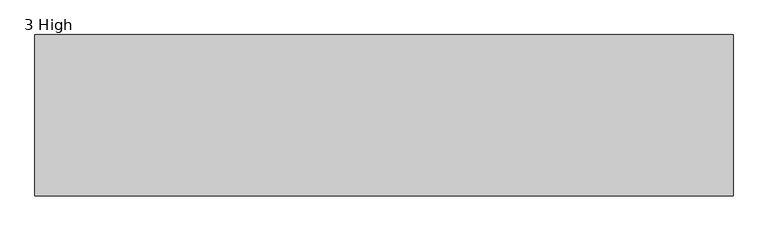
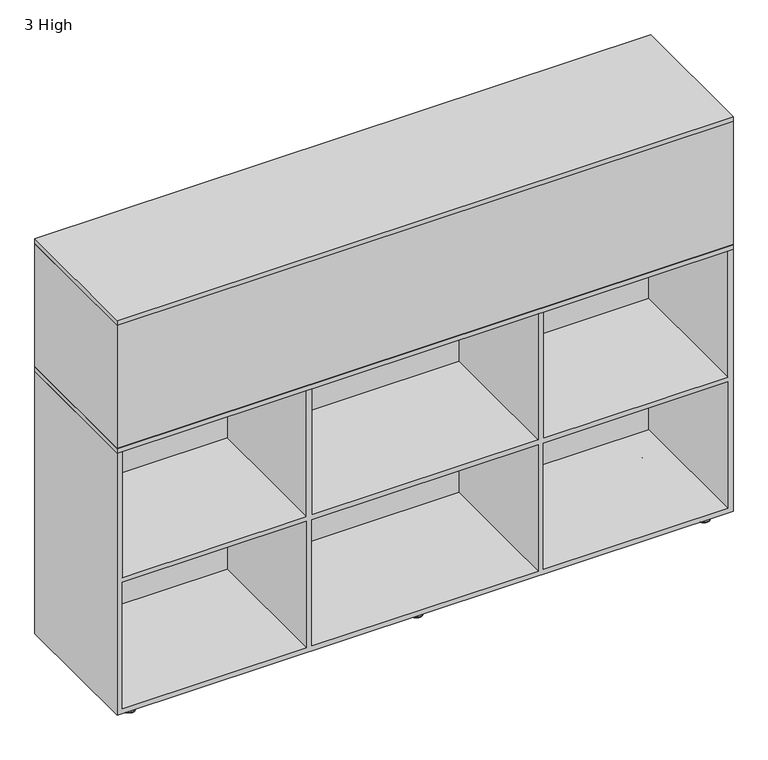
"""IFC4 building model written with IfcOpenShell, lengths in millimetres: furniture geometry, 3 High."""

from ifc_helpers import new_model, si_unit, point, frame, frame_2d, origin, place, context, project, spatial, polyline, circle_curve, ellipse_curve, trimmed, segment, composite_curve, outline, extrude, faceted_brep, source, transform, mapped, element, save
from ifc_brep_helpers import plane_surface, cylinder_surface, revolved_surface, spline_surface, advanced_brep


def furniture_3_high_fae4e9ed(model_context):
    return source(origin(), model_context, "Body", "SolidModel", [
        extrude(outline(polyline([(1524.0, 0.0), (0.0, 0.0), (0.0, 352.425), (1524.0, 352.425), (1524.0, 0.0)])), frame((0.0, 0.0, 711.2), z_axis=(0.0, 0.0, 1.0), x_axis=(1.0, 0.0, 0.0)), (0.0, 0.0, 1.0), 11.8411135),
        extrude(outline(polyline([(1524.0, 0.0), (0.0, 0.0), (0.0, 352.425), (1524.0, 352.425), (1524.0, 0.0)])), frame((0.0, 0.0, 1045.1923436), z_axis=(0.0, 0.0, 1.0), x_axis=(1.0, 0.0, 0.0)), (0.0, 0.0, 1.0), 12.5983953),
        faceted_brep([(1524.0, 0.0, 1045.1923436), (1524.0, 0.0, 723.9), (1524.0, 352.425, 723.9), (1524.0, 352.425, 1045.1923436), (0.0, 0.0, 1045.1923436), (0.0, 352.425, 1045.1923436), (0.0, 352.425, 723.9), (0.0, 0.0, 723.9), (13.081, 352.425, 1045.1923436), (13.081, 352.425, 736.6), (468.2743967, 352.425, 736.6), (468.2743967, 352.425, 1045.1923436), (481.3553933, 352.425, 1045.1923436), (481.3553933, 352.425, 736.6), (1041.2984316, 352.425, 736.6), (1041.2984316, 352.425, 1045.1923436), (1054.3793919, 352.425, 1045.1923436), (1054.3793919, 352.425, 736.6), (1510.9189671, 352.425, 736.6), (1510.9189671, 352.425, 1045.1923436), (1510.9189671, 13.208, 1045.1923436), (1054.3793919, 13.208, 1045.1923436), (1041.2984316, 13.208, 1045.1923436), (481.3553933, 13.208, 1045.1923436), (468.2743967, 13.208, 1045.1923436), (13.081, 13.208, 1045.1923436), (13.081, 13.208, 736.6), (468.2743967, 13.208, 736.6), (481.3553933, 13.208, 736.6), (1041.2984316, 13.208, 736.6), (1054.3793919, 13.208, 736.6), (1510.9189671, 13.208, 736.6)], [[[0, 1, 2, 3]], [[4, 5, 6, 7]], [[1, 0, 4, 7]], [[2, 1, 7, 6]], [[3, 2, 6, 5, 8, 9, 10, 11, 12, 13, 14, 15, 16, 17, 18, 19]], [[0, 3, 19, 20, 21, 16, 15, 22, 23, 12, 11, 24, 25, 8, 5, 4]], [[25, 26, 9, 8]], [[26, 27, 10, 9]], [[27, 24, 11, 10]], [[23, 28, 13, 12]], [[28, 29, 14, 13]], [[29, 22, 15, 14]], [[21, 30, 17, 16]], [[30, 31, 18, 17]], [[31, 20, 19, 18]], [[24, 27, 26, 25]], [[22, 29, 28, 23]], [[20, 31, 30, 21]]]),
        advanced_brep(
        [(776.7323801, 38.0780241, 2.6178944), (747.2988961, 38.0780241, 2.6178944), (762.0156381, 38.0780241, 2.6178944), (769.706563, 38.0780241, 8.8411838), (754.3247132, 38.0780241, 8.8411838), (769.706563, 38.0780241, 10.8986525), (754.3247132, 38.0780241, 10.8986525), (762.0156381, 38.0780241, 10.8986525)],
        [
            (0, 1, circle_curve(frame((762.0156381, 38.0780241, 2.6178944), z_axis=(0.0, 0.0, -1.0), x_axis=(-1.0, 0.0, 0.0)), 14.716742)),
            (1, 2),
            (2, 0),
            (1, 0, circle_curve(frame((762.0156381, 38.0780241, 2.6178944), z_axis=(0.0, 0.0, -1.0), x_axis=(-1.0, 0.0, 0.0)), 14.716742)),
            (3, 4, circle_curve(frame((762.0156381, 38.0780241, 8.8411838), z_axis=(0.0, 0.0, -1.0), x_axis=(-1.0, 0.0, 0.0)), 7.6909249)),
            (4, 1, circle_curve(frame((748.0218845, 38.0780241, 8.8792349), z_axis=(0.0, 1.0, 0.0), x_axis=(1.0, 0.0, 0.0)), 6.3029436)),
            (0, 3, circle_curve(frame((776.0093917, 38.0780241, 8.8792349), z_axis=(0.0, 1.0, 0.0), x_axis=(-1.0, 0.0, 0.0)), 6.3029436)),
            (4, 3, circle_curve(frame((762.0156381, 38.0780241, 8.8411838), z_axis=(0.0, 0.0, -1.0), x_axis=(-1.0, 0.0, 0.0)), 7.6909249)),
            (5, 6, circle_curve(frame((762.0156381, 38.0780241, 10.8986525), z_axis=(0.0, 0.0, -1.0), x_axis=(-1.0, 0.0, 0.0)), 7.6909249)),
            (6, 4),
            (3, 5),
            (6, 5, circle_curve(frame((762.0156381, 38.0780241, 10.8986525), z_axis=(0.0, 0.0, -1.0), x_axis=(-1.0, 0.0, 0.0)), 7.6909249)),
            (7, 6),
            (5, 7),
        ],
        [
            plane_surface(frame((762.0156381, 38.0780241, 2.6178944), z_axis=(0.0, 0.0, -1.0), x_axis=(-1.0, 0.0, 0.0))),
            revolved_surface(trimmed(ellipse_curve(frame((748.0218845, 38.0780241, 8.8792349), z_axis=(0.0, -1.0, 0.0), x_axis=(1.0, 0.0, 0.0)), 6.3029436, 6.3029436), [point((747.2988961, 38.0780241, 2.6178944))], [point((754.3247132, 38.0780241, 8.8411838))], True, "CARTESIAN"), (762.0156381, 38.0780241, 10.8986525), (0.0, 0.0, 1.0)),
            cylinder_surface(frame((762.0156381, 38.0780241, 10.8986525), z_axis=(0.0, 0.0, 1.0), x_axis=(-1.0, 0.0, 0.0)), 7.6909249),
            plane_surface(frame((762.0156381, 38.0780241, 10.8986525), z_axis=(0.0, 0.0, 1.0), x_axis=(-1.0, 0.0, 0.0))),
        ],
        [
            (0, [[1, 2, 3]]),
            (0, [[4, -3, -2]]),
            (1, [[5, 6, -1, 7]]),
            (1, [[8, -7, -4, -6]]),
            (2, [[9, 10, -5, 11]]),
            (2, [[12, -11, -8, -10]]),
            (3, [[13, -9, 14]]),
            (3, [[-14, -12, -13]]),
        ],
    ),
        advanced_brep(
        [(775.1743443, 38.0780241, 0.0), (748.8795601, 38.0780241, 0.0), (762.0269522, 38.0780241, 0.0), (776.7550083, 38.0780241, 1.580664), (747.2988961, 38.0780241, 1.580664), (776.7550083, 38.0780241, 2.6178944), (747.2988961, 38.0780241, 2.6178944), (762.0269522, 38.0780241, 2.6178944)],
        [
            (0, 1, circle_curve(frame((762.0269522, 38.0780241, 0.0), z_axis=(0.0, 0.0, -1.0), x_axis=(-1.0, 0.0, 0.0)), 13.1473921)),
            (1, 2),
            (2, 0),
            (1, 0, circle_curve(frame((762.0269522, 38.0780241, 0.0), z_axis=(0.0, 0.0, -1.0), x_axis=(-1.0, 0.0, 0.0)), 13.1473921)),
            (3, 4, circle_curve(frame((762.0269522, 38.0780241, 1.580664), z_axis=(0.0, 0.0, -1.0), x_axis=(-1.0, 0.0, 0.0)), 14.7280561)),
            (4, 1, circle_curve(frame((748.8795601, 38.0780241, 1.580664), z_axis=(0.0, -1.0, 0.0), x_axis=(1.0, 0.0, 0.0)), 1.580664)),
            (0, 3, circle_curve(frame((775.1743443, 38.0780241, 1.580664), z_axis=(0.0, -1.0, 0.0), x_axis=(-1.0, 0.0, 0.0)), 1.580664)),
            (4, 3, circle_curve(frame((762.0269522, 38.0780241, 1.580664), z_axis=(0.0, 0.0, -1.0), x_axis=(-1.0, 0.0, 0.0)), 14.7280561)),
            (5, 6, circle_curve(frame((762.0269522, 38.0780241, 2.6178944), z_axis=(0.0, 0.0, -1.0), x_axis=(-1.0, 0.0, 0.0)), 14.7280561)),
            (6, 4),
            (3, 5),
            (6, 5, circle_curve(frame((762.0269522, 38.0780241, 2.6178944), z_axis=(0.0, 0.0, -1.0), x_axis=(-1.0, 0.0, 0.0)), 14.7280561)),
            (7, 6),
            (5, 7),
        ],
        [
            plane_surface(frame((762.0269522, 38.0780241, 0.0), z_axis=(0.0, 0.0, -1.0), x_axis=(-1.0, 0.0, 0.0))),
            revolved_surface(trimmed(ellipse_curve(frame((748.8795601, 38.0780241, 1.580664), z_axis=(0.0, 1.0, 0.0), x_axis=(1.0, 0.0, 0.0)), 1.580664, 1.580664), [point((748.8795601, 38.0780241, 0.0))], [point((747.2988961, 38.0780241, 1.580664))], True, "CARTESIAN"), (762.0269522, 38.0780241, 2.6178944), (0.0, 0.0, 1.0)),
            cylinder_surface(frame((762.0269522, 38.0780241, 2.6178944), z_axis=(0.0, 0.0, 1.0), x_axis=(-1.0, 0.0, 0.0)), 14.7280561),
            plane_surface(frame((762.0269522, 38.0780241, 2.6178944), z_axis=(0.0, 0.0, 1.0), x_axis=(-1.0, 0.0, 0.0))),
        ],
        [
            (0, [[1, 2, 3]]),
            (0, [[4, -3, -2]]),
            (1, [[5, 6, -1, 7]]),
            (1, [[8, -7, -4, -6]]),
            (2, [[9, 10, -5, 11]]),
            (2, [[12, -11, -8, -10]]),
            (3, [[13, -9, 14]]),
            (3, [[-14, -12, -13]]),
        ],
    ),
        extrude(outline(composite_curve([segment(trimmed(circle_curve(frame_2d((762.0156381, 38.1183079)), 3.9557313), [point((758.0599068, 38.1183079))], [point((765.9713694, 38.1183079))], False, "CARTESIAN"), True, "CONTINUOUS"), segment(trimmed(circle_curve(frame_2d((762.0156381, 38.1183079)), 3.9557313), [point((765.9713694, 38.1183079))], [point((758.0599068, 38.1183079))], False, "CARTESIAN"), True, "CONTINUOUS")], self_intersect=False)), frame((0.0, 0.0, 10.8986525), z_axis=(0.0, 0.0, 1.0), x_axis=(1.0, 0.0, 0.0)), (0.0, 0.0, 1.0), 11.6640053),
        advanced_brep(
        [(758.0822362, 38.1098067, 22.5626578), (765.9722002, 38.1098067, 22.5626578), (759.079, 38.1098067, 23.622), (764.9502172, 38.1098067, 23.622)],
        [
            (0, 1, circle_curve(frame((762.0272182, 38.1098067, 22.5626578), z_axis=(0.0, 0.0, -1.0), x_axis=(1.0, 0.0, 0.0)), 3.944982)),
            (1, 0, circle_curve(frame((762.0272182, 38.1098067, 22.5626578), z_axis=(0.0, 0.0, -1.0), x_axis=(1.0, 0.0, 0.0)), 3.944982)),
            (2, 3, circle_curve(frame((762.0146086, 38.1098067, 23.622), z_axis=(0.0, 0.0, 1.0), x_axis=(1.0, 0.0, 0.0)), 2.9356086)),
            (3, 2, circle_curve(frame((762.0146086, 38.1098067, 23.622), z_axis=(0.0, 0.0, 1.0), x_axis=(1.0, 0.0, 0.0)), 2.9356086)),
            (3, 1),
            (0, 2),
        ],
        [
            plane_surface(frame((762.0272182, 38.1098067, 22.5626578), z_axis=(0.0, 0.0, -1.0), x_axis=(0.0, -1.0, 0.0))),
            plane_surface(frame((762.0146086, 38.1098067, 23.622), z_axis=(0.0, 0.0, 1.0), x_axis=(0.0, -1.0, 0.0))),
            spline_surface(2, 1, [[(759.079, 38.1098067, 23.622), (758.0822362, 38.1098067, 22.5626578)], [(759.079, 41.04541530000002, 23.622), (758.0822362, 42.05478869999998, 22.5626578)], [(762.0146086, 41.04541530000002, 23.622), (762.0272182, 42.05478869999998, 22.5626578)], [(764.9502172, 41.04541530000002, 23.622), (765.9722002, 42.05478869999998, 22.5626578)], [(764.9502172, 38.1098067, 23.622), (765.9722002, 38.1098067, 22.5626578)]], [3, 2, 3], [2, 2], [0.0, 1.0, 2.0], [0.0, 1.0], weights=[[1.0, 1.0], [0.7071067811865476, 0.7071067811865476], [1.0, 1.0], [0.7071067811865476, 0.7071067811865476], [1.0, 1.0]]),
            spline_surface(2, 1, [[(764.9502172, 38.1098067, 23.622), (765.9722002, 38.1098067, 22.5626578)], [(764.9502172, 35.17419809999998, 23.622), (765.9722002, 34.16482470000002, 22.5626578)], [(762.0146086, 35.17419809999998, 23.622), (762.0272182, 34.16482470000002, 22.5626578)], [(759.079, 35.17419809999998, 23.622), (758.0822362, 34.16482470000002, 22.5626578)], [(759.079, 38.1098067, 23.622), (758.0822362, 38.1098067, 22.5626578)]], [3, 2, 3], [2, 2], [0.0, 1.0, 2.0], [0.0, 1.0], weights=[[1.0, 1.0], [0.7071067811865476, 0.7071067811865476], [1.0, 1.0], [0.7071067811865476, 0.7071067811865476], [1.0, 1.0]]),
        ],
        [
            (0, [[1, 2]]),
            (1, [[3, 4]]),
            (2, [[-4, 5, -1, 6]]),
            (3, [[-3, -6, -2, -5]]),
        ],
    ),
        advanced_brep(
        [(769.706563, 314.3469759, 10.8986525), (754.3247132, 314.3469759, 10.8986525), (762.0156381, 314.3469759, 10.8986525), (769.706563, 314.3469759, 8.8411838), (754.3247132, 314.3469759, 8.8411838), (776.7323801, 314.3469759, 2.6178944), (747.2988961, 314.3469759, 2.6178944), (762.0156381, 314.3469759, 2.6178944)],
        [
            (0, 1, circle_curve(frame((762.0156381, 314.3469759, 10.8986525), z_axis=(0.0, 0.0, 1.0), x_axis=(-1.0, 0.0, 0.0)), 7.6909249)),
            (1, 2),
            (2, 0),
            (1, 0, circle_curve(frame((762.0156381, 314.3469759, 10.8986525), z_axis=(0.0, 0.0, 1.0), x_axis=(-1.0, 0.0, 0.0)), 7.6909249)),
            (3, 4, circle_curve(frame((762.0156381, 314.3469759, 8.8411838), z_axis=(0.0, 0.0, 1.0), x_axis=(-1.0, 0.0, 0.0)), 7.6909249)),
            (4, 1),
            (0, 3),
            (4, 3, circle_curve(frame((762.0156381, 314.3469759, 8.8411838), z_axis=(0.0, 0.0, 1.0), x_axis=(-1.0, 0.0, 0.0)), 7.6909249)),
            (5, 6, circle_curve(frame((762.0156381, 314.3469759, 2.6178944), z_axis=(0.0, 0.0, 1.0), x_axis=(-1.0, 0.0, 0.0)), 14.716742)),
            (6, 4, circle_curve(frame((748.0218845, 314.3469759, 8.8792349), z_axis=(0.0, -1.0, 0.0), x_axis=(1.0, 0.0, 0.0)), 6.3029436)),
            (3, 5, circle_curve(frame((776.0093917, 314.3469759, 8.8792349), z_axis=(0.0, -1.0, 0.0), x_axis=(-1.0, 0.0, 0.0)), 6.3029436)),
            (6, 5, circle_curve(frame((762.0156381, 314.3469759, 2.6178944), z_axis=(0.0, 0.0, 1.0), x_axis=(-1.0, 0.0, 0.0)), 14.716742)),
            (7, 6),
            (5, 7),
        ],
        [
            plane_surface(frame((762.0156381, 314.3469759, 10.8986525), z_axis=(0.0, 0.0, 1.0), x_axis=(-1.0, 0.0, 0.0))),
            cylinder_surface(frame((762.0156381, 314.3469759, 10.8986525), z_axis=(0.0, 0.0, -1.0), x_axis=(-1.0, 0.0, 0.0)), 7.6909249),
            revolved_surface(trimmed(ellipse_curve(frame((748.0218845, 314.3469759, 8.8792349), z_axis=(0.0, 1.0, 0.0), x_axis=(1.0, 0.0, 0.0)), 6.3029436, 6.3029436), [point((754.3247132, 314.3469759, 8.8411838))], [point((747.2988961, 314.3469759, 2.6178944))], True, "CARTESIAN"), (762.0156381, 314.3469759, 10.8986525), (0.0, 0.0, -1.0)),
            plane_surface(frame((762.0156381, 314.3469759, 2.6178944), z_axis=(0.0, 0.0, -1.0), x_axis=(-1.0, 0.0, 0.0))),
        ],
        [
            (0, [[1, 2, 3]]),
            (0, [[4, -3, -2]]),
            (1, [[5, 6, -1, 7]]),
            (1, [[8, -7, -4, -6]]),
            (2, [[9, 10, -5, 11]]),
            (2, [[12, -11, -8, -10]]),
            (3, [[13, -9, 14]]),
            (3, [[-14, -12, -13]]),
        ],
    ),
        advanced_brep(
        [(776.7550083, 314.3469759, 2.6178944), (747.2988961, 314.3469759, 2.6178944), (762.0269522, 314.3469759, 2.6178944), (776.7550083, 314.3469759, 1.580664), (747.2988961, 314.3469759, 1.580664), (775.1743443, 314.3469759, 0.0), (748.8795601, 314.3469759, 0.0), (762.0269522, 314.3469759, 0.0)],
        [
            (0, 1, circle_curve(frame((762.0269522, 314.3469759, 2.6178944), z_axis=(0.0, 0.0, 1.0), x_axis=(-1.0, 0.0, 0.0)), 14.7280561)),
            (1, 2),
            (2, 0),
            (1, 0, circle_curve(frame((762.0269522, 314.3469759, 2.6178944), z_axis=(0.0, 0.0, 1.0), x_axis=(-1.0, 0.0, 0.0)), 14.7280561)),
            (3, 4, circle_curve(frame((762.0269522, 314.3469759, 1.580664), z_axis=(0.0, 0.0, 1.0), x_axis=(-1.0, 0.0, 0.0)), 14.7280561)),
            (4, 1),
            (0, 3),
            (4, 3, circle_curve(frame((762.0269522, 314.3469759, 1.580664), z_axis=(0.0, 0.0, 1.0), x_axis=(-1.0, 0.0, 0.0)), 14.7280561)),
            (5, 6, circle_curve(frame((762.0269522, 314.3469759, 0.0), z_axis=(0.0, 0.0, 1.0), x_axis=(-1.0, 0.0, 0.0)), 13.1473921)),
            (6, 4, circle_curve(frame((748.8795601, 314.3469759, 1.580664), z_axis=(0.0, 1.0, 0.0), x_axis=(1.0, 0.0, 0.0)), 1.580664)),
            (3, 5, circle_curve(frame((775.1743443, 314.3469759, 1.580664), z_axis=(0.0, 1.0, 0.0), x_axis=(-1.0, 0.0, 0.0)), 1.580664)),
            (6, 5, circle_curve(frame((762.0269522, 314.3469759, 0.0), z_axis=(0.0, 0.0, 1.0), x_axis=(-1.0, 0.0, 0.0)), 13.1473921)),
            (7, 6),
            (5, 7),
        ],
        [
            plane_surface(frame((762.0269522, 314.3469759, 2.6178944), z_axis=(0.0, 0.0, 1.0), x_axis=(-1.0, 0.0, 0.0))),
            cylinder_surface(frame((762.0269522, 314.3469759, 2.6178944), z_axis=(0.0, 0.0, -1.0), x_axis=(-1.0, 0.0, 0.0)), 14.7280561),
            revolved_surface(trimmed(ellipse_curve(frame((748.8795601, 314.3469759, 1.580664), z_axis=(0.0, -1.0, 0.0), x_axis=(1.0, 0.0, 0.0)), 1.580664, 1.580664), [point((747.2988961, 314.3469759, 1.580664))], [point((748.8795601, 314.3469759, 0.0))], True, "CARTESIAN"), (762.0269522, 314.3469759, 2.6178944), (0.0, 0.0, -1.0)),
            plane_surface(frame((762.0269522, 314.3469759, 0.0), z_axis=(0.0, 0.0, -1.0), x_axis=(-1.0, 0.0, 0.0))),
        ],
        [
            (0, [[1, 2, 3]]),
            (0, [[4, -3, -2]]),
            (1, [[5, 6, -1, 7]]),
            (1, [[8, -7, -4, -6]]),
            (2, [[9, 10, -5, 11]]),
            (2, [[12, -11, -8, -10]]),
            (3, [[13, -9, 14]]),
            (3, [[-14, -12, -13]]),
        ],
    ),
        extrude(outline(composite_curve([segment(trimmed(circle_curve(frame_2d((762.0156381, 314.3066921)), 3.9557313), [point((758.0599068, 314.3066921))], [point((765.9713694, 314.3066921))], False, "CARTESIAN"), True, "CONTINUOUS"), segment(trimmed(circle_curve(frame_2d((762.0156381, 314.3066921)), 3.9557313), [point((765.9713694, 314.3066921))], [point((758.0599068, 314.3066921))], False, "CARTESIAN"), True, "CONTINUOUS")], self_intersect=False)), frame((0.0, 0.0, 10.8986525), z_axis=(0.0, 0.0, 1.0), x_axis=(1.0, 0.0, 0.0)), (0.0, 0.0, 1.0), 11.6640053),
        advanced_brep(
        [(758.0822362, 314.3151933, 22.5626578), (765.9722002, 314.3151933, 22.5626578), (759.079, 314.3151933, 23.622), (764.9502172, 314.3151933, 23.622)],
        [
            (0, 1, circle_curve(frame((762.0272182, 314.3151933, 22.5626578), z_axis=(0.0, 0.0, -1.0), x_axis=(1.0, 0.0, 0.0)), 3.944982)),
            (1, 0, circle_curve(frame((762.0272182, 314.3151933, 22.5626578), z_axis=(0.0, 0.0, -1.0), x_axis=(1.0, 0.0, 0.0)), 3.944982)),
            (2, 3, circle_curve(frame((762.0146086, 314.3151933, 23.622), z_axis=(0.0, 0.0, 1.0), x_axis=(1.0, 0.0, 0.0)), 2.9356086)),
            (3, 2, circle_curve(frame((762.0146086, 314.3151933, 23.622), z_axis=(0.0, 0.0, 1.0), x_axis=(1.0, 0.0, 0.0)), 2.9356086)),
            (3, 1),
            (0, 2),
        ],
        [
            plane_surface(frame((762.0272182, 314.3151933, 22.5626578), z_axis=(0.0, 0.0, -1.0), x_axis=(0.0, -1.0, 0.0))),
            plane_surface(frame((762.0146086, 314.3151933, 23.622), z_axis=(0.0, 0.0, 1.0), x_axis=(0.0, -1.0, 0.0))),
            spline_surface(2, 1, [[(759.079, 314.3151933, 23.622), (758.0822362, 314.3151933, 22.5626578)], [(759.079, 317.2508019, 23.622), (758.0822362, 318.26017529999996, 22.5626578)], [(762.0146086, 317.2508019, 23.622), (762.0272182, 318.26017529999996, 22.5626578)], [(764.9502172, 317.2508019, 23.622), (765.9722002, 318.26017529999996, 22.5626578)], [(764.9502172, 314.3151933, 23.622), (765.9722002, 314.3151933, 22.5626578)]], [3, 2, 3], [2, 2], [0.0, 1.0, 2.0], [0.0, 1.0], weights=[[1.0, 1.0], [0.7071067811865476, 0.7071067811865476], [1.0, 1.0], [0.7071067811865476, 0.7071067811865476], [1.0, 1.0]]),
            spline_surface(2, 1, [[(764.9502172, 314.3151933, 23.622), (765.9722002, 314.3151933, 22.5626578)], [(764.9502172, 311.37958469999995, 23.622), (765.9722002, 310.3702113, 22.5626578)], [(762.0146086, 311.37958469999995, 23.622), (762.0272182, 310.3702113, 22.5626578)], [(759.079, 311.37958469999995, 23.622), (758.0822362, 310.3702113, 22.5626578)], [(759.079, 314.3151933, 23.622), (758.0822362, 314.3151933, 22.5626578)]], [3, 2, 3], [2, 2], [0.0, 1.0, 2.0], [0.0, 1.0], weights=[[1.0, 1.0], [0.7071067811865476, 0.7071067811865476], [1.0, 1.0], [0.7071067811865476, 0.7071067811865476], [1.0, 1.0]]),
        ],
        [
            (0, [[1, 2]]),
            (1, [[3, 4]]),
            (2, [[-4, 5, -1, 6]]),
            (3, [[-3, -6, -2, -5]]),
        ],
    ),
        faceted_brep([(0.0, 0.0, 711.2), (0.0, 0.0, 25.4), (1524.0, 0.0, 25.4), (1524.0, 0.0, 711.2), (1510.9189671, 0.0, 711.2), (1510.9189671, 0.0, 381.0), (1054.3793919, 0.0, 381.0), (1054.3793919, 0.0, 711.2), (1041.2984316, 0.0, 711.2), (1041.2984316, 0.0, 381.0), (481.3553933, 0.0, 381.0), (481.3553933, 0.0, 711.2), (468.2743967, 0.0, 711.2), (468.2743967, 0.0, 381.0), (13.081, 0.0, 381.0), (13.081, 0.0, 711.2), (13.081, 0.0, 368.3), (468.2743967, 0.0, 368.3), (468.2743967, 0.0, 38.1), (13.081, 0.0, 38.1), (481.3553933, 0.0, 368.3), (1041.2984316, 0.0, 368.3), (1041.2984316, 0.0, 38.1), (481.3553933, 0.0, 38.1), (1054.3793919, 0.0, 368.3), (1510.9189671, 0.0, 368.3), (1510.9189671, 0.0, 38.1), (1054.3793919, 0.0, 38.1), (1524.0, 352.425, 711.2), (1524.0, 352.425, 25.4), (0.0, 352.425, 25.4), (0.0, 352.425, 711.2), (13.081, 339.344, 711.2), (468.2743967, 339.344, 711.2), (481.3553933, 339.344, 711.2), (1041.2984316, 339.344, 711.2), (1054.3793919, 339.344, 711.2), (1510.9189671, 339.344, 711.2), (13.081, 339.344, 381.0), (468.2743967, 339.344, 381.0), (481.3553933, 339.344, 381.0), (1041.2984316, 339.344, 381.0), (1054.3793919, 339.344, 381.0), (1510.9189671, 339.344, 381.0), (468.2743967, 339.344, 368.3), (13.081, 339.344, 368.3), (13.081, 339.344, 38.1), (468.2743967, 339.344, 38.1), (1041.2984316, 339.344, 368.3), (481.3553933, 339.344, 368.3), (481.3553933, 339.344, 38.1), (1041.2984316, 339.344, 38.1), (1510.9189671, 339.344, 368.3), (1054.3793919, 339.344, 368.3), (1054.3793919, 339.344, 38.1), (1510.9189671, 339.344, 38.1)], [[[0, 1, 2, 3, 4, 5, 6, 7, 8, 9, 10, 11, 12, 13, 14, 15], [16, 17, 18, 19], [20, 21, 22, 23], [24, 25, 26, 27]], [[28, 29, 30, 31]], [[28, 31, 0, 15, 32, 33, 12, 11, 34, 35, 8, 7, 36, 37, 4, 3]], [[1, 0, 31, 30]], [[2, 1, 30, 29]], [[3, 2, 29, 28]], [[32, 38, 39, 33]], [[34, 40, 41, 35]], [[36, 42, 43, 37]], [[44, 45, 46, 47]], [[48, 49, 50, 51]], [[52, 53, 54, 55]], [[38, 32, 15, 14]], [[39, 38, 14, 13]], [[33, 39, 13, 12]], [[40, 34, 11, 10]], [[41, 40, 10, 9]], [[35, 41, 9, 8]], [[42, 36, 7, 6]], [[43, 42, 6, 5]], [[37, 43, 5, 4]], [[45, 44, 17, 16]], [[46, 45, 16, 19]], [[47, 46, 19, 18]], [[44, 47, 18, 17]], [[49, 48, 21, 20]], [[50, 49, 20, 23]], [[51, 50, 23, 22]], [[48, 51, 22, 21]], [[53, 52, 25, 24]], [[54, 53, 24, 27]], [[55, 54, 27, 26]], [[52, 55, 26, 25]]]),
        extrude(outline(polyline([(25.4000008, 13.0809966), (25.4000008, 339.344), (76.2, 339.344), (76.2, 13.0809966), (25.4000008, 13.0809966)])), frame((0.0, 0.0, 15.8750011), z_axis=(0.0, 0.0, 1.0), x_axis=(1.0, 0.0, 0.0)), (0.0, 0.0, 1.0), 9.5249989),
        extrude(outline(polyline([(736.6000242, 13.0809966), (736.6000242, 339.344), (787.4000235, 339.344), (787.4000235, 13.0809966), (736.6000242, 13.0809966)])), frame((0.0, 0.0, 15.8750011), z_axis=(0.0, 0.0, 1.0), x_axis=(1.0, 0.0, 0.0)), (0.0, 0.0, 1.0), 9.5249989),
        extrude(outline(polyline([(1447.8, 13.0809966), (1447.8, 339.344), (1498.5999992, 339.344), (1498.5999992, 13.0809966), (1447.8, 13.0809966)])), frame((0.0, 0.0, 15.8750011), z_axis=(0.0, 0.0, 1.0), x_axis=(1.0, 0.0, 0.0)), (0.0, 0.0, 1.0), 9.5249989),
        advanced_brep(
        [(1465.5173965, 38.0780241, 10.8986525), (1480.8992463, 38.0780241, 10.8986525), (1473.2083214, 38.0780241, 10.8986525), (1465.5173965, 38.0780241, 8.8411838), (1480.8992463, 38.0780241, 8.8411838), (1458.4915794, 38.0780241, 2.6178944), (1487.9250634, 38.0780241, 2.6178944), (1473.2083214, 38.0780241, 2.6178944)],
        [
            (0, 1, circle_curve(frame((1473.2083214, 38.0780241, 10.8986525), z_axis=(0.0, 0.0, 1.0), x_axis=(1.0, 0.0, 0.0)), 7.6909249)),
            (1, 2),
            (2, 0),
            (1, 0, circle_curve(frame((1473.2083214, 38.0780241, 10.8986525), z_axis=(0.0, 0.0, 1.0), x_axis=(1.0, 0.0, 0.0)), 7.6909249)),
            (3, 4, circle_curve(frame((1473.2083214, 38.0780241, 8.8411838), z_axis=(0.0, 0.0, 1.0), x_axis=(1.0, 0.0, 0.0)), 7.6909249)),
            (4, 1),
            (0, 3),
            (4, 3, circle_curve(frame((1473.2083214, 38.0780241, 8.8411838), z_axis=(0.0, 0.0, 1.0), x_axis=(1.0, 0.0, 0.0)), 7.6909249)),
            (5, 6, circle_curve(frame((1473.2083214, 38.0780241, 2.6178944), z_axis=(0.0, 0.0, 1.0), x_axis=(1.0, 0.0, 0.0)), 14.716742)),
            (6, 4, circle_curve(frame((1487.202075, 38.0780241, 8.8792349), z_axis=(0.0, 1.0, 0.0), x_axis=(-1.0, 0.0, 0.0)), 6.3029436)),
            (3, 5, circle_curve(frame((1459.2145678, 38.0780241, 8.8792349), z_axis=(0.0, 1.0, 0.0), x_axis=(1.0, 0.0, 0.0)), 6.3029436)),
            (6, 5, circle_curve(frame((1473.2083214, 38.0780241, 2.6178944), z_axis=(0.0, 0.0, 1.0), x_axis=(1.0, 0.0, 0.0)), 14.716742)),
            (7, 6),
            (5, 7),
        ],
        [
            plane_surface(frame((1473.2083214, 38.0780241, 10.8986525), z_axis=(0.0, 0.0, 1.0), x_axis=(1.0, 0.0, 0.0))),
            cylinder_surface(frame((1473.2083214, 38.0780241, 10.8986525), z_axis=(0.0, 0.0, -1.0), x_axis=(1.0, 0.0, 0.0)), 7.6909249),
            revolved_surface(trimmed(ellipse_curve(frame((1487.202075, 38.0780241, 8.8792349), z_axis=(0.0, -1.0, 0.0), x_axis=(-1.0, 0.0, 0.0)), 6.3029436, 6.3029436), [point((1480.8992463, 38.0780241, 8.8411838))], [point((1487.9250634, 38.0780241, 2.6178944))], True, "CARTESIAN"), (1473.2083214, 38.0780241, 10.8986525), (0.0, 0.0, -1.0)),
            plane_surface(frame((1473.2083214, 38.0780241, 2.6178944), z_axis=(0.0, 0.0, -1.0), x_axis=(1.0, 0.0, 0.0))),
        ],
        [
            (0, [[1, 2, 3]]),
            (0, [[4, -3, -2]]),
            (1, [[5, 6, -1, 7]]),
            (1, [[8, -7, -4, -6]]),
            (2, [[9, 10, -5, 11]]),
            (2, [[12, -11, -8, -10]]),
            (3, [[13, -9, 14]]),
            (3, [[-14, -12, -13]]),
        ],
    ),
        advanced_brep(
        [(1458.4689512, 38.0780241, 2.6178944), (1487.9250634, 38.0780241, 2.6178944), (1473.1970073, 38.0780241, 2.6178944), (1458.4689512, 38.0780241, 1.580664), (1487.9250634, 38.0780241, 1.580664), (1460.0496152, 38.0780241, 0.0), (1486.3443994, 38.0780241, 0.0), (1473.1970073, 38.0780241, 0.0)],
        [
            (0, 1, circle_curve(frame((1473.1970073, 38.0780241, 2.6178944), z_axis=(0.0, 0.0, 1.0), x_axis=(1.0, 0.0, 0.0)), 14.7280561)),
            (1, 2),
            (2, 0),
            (1, 0, circle_curve(frame((1473.1970073, 38.0780241, 2.6178944), z_axis=(0.0, 0.0, 1.0), x_axis=(1.0, 0.0, 0.0)), 14.7280561)),
            (3, 4, circle_curve(frame((1473.1970073, 38.0780241, 1.580664), z_axis=(0.0, 0.0, 1.0), x_axis=(1.0, 0.0, 0.0)), 14.7280561)),
            (4, 1),
            (0, 3),
            (4, 3, circle_curve(frame((1473.1970073, 38.0780241, 1.580664), z_axis=(0.0, 0.0, 1.0), x_axis=(1.0, 0.0, 0.0)), 14.7280561)),
            (5, 6, circle_curve(frame((1473.1970073, 38.0780241, 0.0), z_axis=(0.0, 0.0, 1.0), x_axis=(1.0, 0.0, 0.0)), 13.1473921)),
            (6, 4, circle_curve(frame((1486.3443994, 38.0780241, 1.580664), z_axis=(0.0, -1.0, 0.0), x_axis=(-1.0, 0.0, 0.0)), 1.580664)),
            (3, 5, circle_curve(frame((1460.0496152, 38.0780241, 1.580664), z_axis=(0.0, -1.0, 0.0), x_axis=(1.0, 0.0, 0.0)), 1.580664)),
            (6, 5, circle_curve(frame((1473.1970073, 38.0780241, 0.0), z_axis=(0.0, 0.0, 1.0), x_axis=(1.0, 0.0, 0.0)), 13.1473921)),
            (7, 6),
            (5, 7),
        ],
        [
            plane_surface(frame((1473.1970073, 38.0780241, 2.6178944), z_axis=(0.0, 0.0, 1.0), x_axis=(1.0, 0.0, 0.0))),
            cylinder_surface(frame((1473.1970073, 38.0780241, 2.6178944), z_axis=(0.0, 0.0, -1.0), x_axis=(1.0, 0.0, 0.0)), 14.7280561),
            revolved_surface(trimmed(ellipse_curve(frame((1486.3443994, 38.0780241, 1.580664), z_axis=(0.0, 1.0, 0.0), x_axis=(-1.0, 0.0, 0.0)), 1.580664, 1.580664), [point((1487.9250634, 38.0780241, 1.580664))], [point((1486.3443994, 38.0780241, 0.0))], True, "CARTESIAN"), (1473.1970073, 38.0780241, 2.6178944), (0.0, 0.0, -1.0)),
            plane_surface(frame((1473.1970073, 38.0780241, 0.0), z_axis=(0.0, 0.0, -1.0), x_axis=(1.0, 0.0, 0.0))),
        ],
        [
            (0, [[1, 2, 3]]),
            (0, [[4, -3, -2]]),
            (1, [[5, 6, -1, 7]]),
            (1, [[8, -7, -4, -6]]),
            (2, [[9, 10, -5, 11]]),
            (2, [[12, -11, -8, -10]]),
            (3, [[13, -9, 14]]),
            (3, [[-14, -12, -13]]),
        ],
    ),
        extrude(outline(composite_curve([segment(trimmed(circle_curve(frame_2d((1473.2083214, 38.1183079)), 3.9557313), [point((1477.1640527, 38.1183079))], [point((1469.2525901, 38.1183079))], False, "CARTESIAN"), True, "CONTINUOUS"), segment(trimmed(circle_curve(frame_2d((1473.2083214, 38.1183079)), 3.9557313), [point((1469.2525901, 38.1183079))], [point((1477.1640527, 38.1183079))], False, "CARTESIAN"), True, "CONTINUOUS")], self_intersect=False)), frame((0.0, 0.0, 10.8986525), z_axis=(0.0, 0.0, 1.0), x_axis=(1.0, 0.0, 0.0)), (0.0, 0.0, 1.0), 11.6640053),
        advanced_brep(
        [(1477.1417233, 38.1098067, 22.5626578), (1469.2517593, 38.1098067, 22.5626578), (1476.1449595, 38.1098067, 23.622), (1470.2737423, 38.1098067, 23.622)],
        [
            (0, 1, circle_curve(frame((1473.1967413, 38.1098067, 22.5626578), z_axis=(0.0, 0.0, -1.0), x_axis=(-1.0, 0.0, 0.0)), 3.944982)),
            (1, 0, circle_curve(frame((1473.1967413, 38.1098067, 22.5626578), z_axis=(0.0, 0.0, -1.0), x_axis=(-1.0, 0.0, 0.0)), 3.944982)),
            (2, 3, circle_curve(frame((1473.2093509, 38.1098067, 23.622), z_axis=(0.0, 0.0, 1.0), x_axis=(-1.0, 0.0, 0.0)), 2.9356086)),
            (3, 2, circle_curve(frame((1473.2093509, 38.1098067, 23.622), z_axis=(0.0, 0.0, 1.0), x_axis=(-1.0, 0.0, 0.0)), 2.9356086)),
            (3, 1),
            (0, 2),
        ],
        [
            plane_surface(frame((1473.1967413, 38.1098067, 22.5626578), z_axis=(0.0, 0.0, -1.0), x_axis=(0.0, 1.0, 0.0))),
            plane_surface(frame((1473.2093509, 38.1098067, 23.622), z_axis=(0.0, 0.0, 1.0), x_axis=(0.0, 1.0, 0.0))),
            spline_surface(2, 1, [[(1476.1449595, 38.1098067, 23.622), (1477.1417233, 38.1098067, 22.5626578)], [(1476.1449595, 35.17419809999998, 23.622), (1477.1417233, 34.16482470000002, 22.5626578)], [(1473.2093509, 35.17419809999998, 23.622), (1473.1967413, 34.16482470000002, 22.5626578)], [(1470.2737422999999, 35.17419809999998, 23.622), (1469.2517593, 34.16482470000002, 22.5626578)], [(1470.2737423, 38.1098067, 23.622), (1469.2517593, 38.1098067, 22.5626578)]], [3, 2, 3], [2, 2], [0.0, 1.0, 2.0], [0.0, 1.0], weights=[[1.0, 1.0], [0.7071067811865476, 0.7071067811865476], [1.0, 1.0], [0.7071067811865476, 0.7071067811865476], [1.0, 1.0]]),
            spline_surface(2, 1, [[(1470.2737423, 38.1098067, 23.622), (1469.2517593, 38.1098067, 22.5626578)], [(1470.2737423, 41.045415299999796, 23.622), (1469.2517593, 42.05478869999998, 22.5626578)], [(1473.2093509, 41.045415299999796, 23.622), (1473.1967413, 42.05478869999998, 22.5626578)], [(1476.1449594999997, 41.045415299999796, 23.622), (1477.1417233, 42.05478869999998, 22.5626578)], [(1476.1449595, 38.1098067, 23.622), (1477.1417233, 38.1098067, 22.5626578)]], [3, 2, 3], [2, 2], [0.0, 1.0, 2.0], [0.0, 1.0], weights=[[1.0, 1.0], [0.7071067811865476, 0.7071067811865476], [1.0, 1.0], [0.7071067811865476, 0.7071067811865476], [1.0, 1.0]]),
        ],
        [
            (0, [[1, 2]]),
            (1, [[3, 4]]),
            (2, [[-4, 5, -1, 6]]),
            (3, [[-3, -6, -2, -5]]),
        ],
    ),
        advanced_brep(
        [(65.5084206, 38.0780241, 2.6178944), (36.0749366, 38.0780241, 2.6178944), (50.7916786, 38.0780241, 2.6178944), (58.4826035, 38.0780241, 8.8411838), (43.1007537, 38.0780241, 8.8411838), (58.4826035, 38.0780241, 10.8986525), (43.1007537, 38.0780241, 10.8986525), (50.7916786, 38.0780241, 10.8986525)],
        [
            (0, 1, circle_curve(frame((50.7916786, 38.0780241, 2.6178944), z_axis=(0.0, 0.0, -1.0), x_axis=(-1.0, 0.0, 0.0)), 14.716742)),
            (1, 2),
            (2, 0),
            (1, 0, circle_curve(frame((50.7916786, 38.0780241, 2.6178944), z_axis=(0.0, 0.0, -1.0), x_axis=(-1.0, 0.0, 0.0)), 14.716742)),
            (3, 4, circle_curve(frame((50.7916786, 38.0780241, 8.8411838), z_axis=(0.0, 0.0, -1.0), x_axis=(-1.0, 0.0, 0.0)), 7.6909249)),
            (4, 1, circle_curve(frame((36.797925, 38.0780241, 8.8792349), z_axis=(0.0, 1.0, 0.0), x_axis=(1.0, 0.0, 0.0)), 6.3029436)),
            (0, 3, circle_curve(frame((64.7854322, 38.0780241, 8.8792349), z_axis=(0.0, 1.0, 0.0), x_axis=(-1.0, 0.0, 0.0)), 6.3029436)),
            (4, 3, circle_curve(frame((50.7916786, 38.0780241, 8.8411838), z_axis=(0.0, 0.0, -1.0), x_axis=(-1.0, 0.0, 0.0)), 7.6909249)),
            (5, 6, circle_curve(frame((50.7916786, 38.0780241, 10.8986525), z_axis=(0.0, 0.0, -1.0), x_axis=(-1.0, 0.0, 0.0)), 7.6909249)),
            (6, 4),
            (3, 5),
            (6, 5, circle_curve(frame((50.7916786, 38.0780241, 10.8986525), z_axis=(0.0, 0.0, -1.0), x_axis=(-1.0, 0.0, 0.0)), 7.6909249)),
            (7, 6),
            (5, 7),
        ],
        [
            plane_surface(frame((50.7916786, 38.0780241, 2.6178944), z_axis=(0.0, 0.0, -1.0), x_axis=(-1.0, 0.0, 0.0))),
            revolved_surface(trimmed(ellipse_curve(frame((36.797925, 38.0780241, 8.8792349), z_axis=(0.0, -1.0, 0.0), x_axis=(1.0, 0.0, 0.0)), 6.3029436, 6.3029436), [point((36.0749366, 38.0780241, 2.6178944))], [point((43.1007537, 38.0780241, 8.8411838))], True, "CARTESIAN"), (50.7916786, 38.0780241, 10.8986525), (0.0, 0.0, 1.0)),
            cylinder_surface(frame((50.7916786, 38.0780241, 10.8986525), z_axis=(0.0, 0.0, 1.0), x_axis=(-1.0, 0.0, 0.0)), 7.6909249),
            plane_surface(frame((50.7916786, 38.0780241, 10.8986525), z_axis=(0.0, 0.0, 1.0), x_axis=(-1.0, 0.0, 0.0))),
        ],
        [
            (0, [[1, 2, 3]]),
            (0, [[4, -3, -2]]),
            (1, [[5, 6, -1, 7]]),
            (1, [[8, -7, -4, -6]]),
            (2, [[9, 10, -5, 11]]),
            (2, [[12, -11, -8, -10]]),
            (3, [[13, -9, 14]]),
            (3, [[-14, -12, -13]]),
        ],
    ),
        advanced_brep(
        [(63.9503848, 38.0780241, 0.0), (37.6556006, 38.0780241, 0.0), (50.8029927, 38.0780241, 0.0), (65.5310488, 38.0780241, 1.580664), (36.0749366, 38.0780241, 1.580664), (65.5310488, 38.0780241, 2.6178944), (36.0749366, 38.0780241, 2.6178944), (50.8029927, 38.0780241, 2.6178944)],
        [
            (0, 1, circle_curve(frame((50.8029927, 38.0780241, 0.0), z_axis=(0.0, 0.0, -1.0), x_axis=(-1.0, 0.0, 0.0)), 13.1473921)),
            (1, 2),
            (2, 0),
            (1, 0, circle_curve(frame((50.8029927, 38.0780241, 0.0), z_axis=(0.0, 0.0, -1.0), x_axis=(-1.0, 0.0, 0.0)), 13.1473921)),
            (3, 4, circle_curve(frame((50.8029927, 38.0780241, 1.580664), z_axis=(0.0, 0.0, -1.0), x_axis=(-1.0, 0.0, 0.0)), 14.7280561)),
            (4, 1, circle_curve(frame((37.6556006, 38.0780241, 1.580664), z_axis=(0.0, -1.0, 0.0), x_axis=(1.0, 0.0, 0.0)), 1.580664)),
            (0, 3, circle_curve(frame((63.9503848, 38.0780241, 1.580664), z_axis=(0.0, -1.0, 0.0), x_axis=(-1.0, 0.0, 0.0)), 1.580664)),
            (4, 3, circle_curve(frame((50.8029927, 38.0780241, 1.580664), z_axis=(0.0, 0.0, -1.0), x_axis=(-1.0, 0.0, 0.0)), 14.7280561)),
            (5, 6, circle_curve(frame((50.8029927, 38.0780241, 2.6178944), z_axis=(0.0, 0.0, -1.0), x_axis=(-1.0, 0.0, 0.0)), 14.7280561)),
            (6, 4),
            (3, 5),
            (6, 5, circle_curve(frame((50.8029927, 38.0780241, 2.6178944), z_axis=(0.0, 0.0, -1.0), x_axis=(-1.0, 0.0, 0.0)), 14.7280561)),
            (7, 6),
            (5, 7),
        ],
        [
            plane_surface(frame((50.8029927, 38.0780241, 0.0), z_axis=(0.0, 0.0, -1.0), x_axis=(-1.0, 0.0, 0.0))),
            revolved_surface(trimmed(ellipse_curve(frame((37.6556006, 38.0780241, 1.580664), z_axis=(0.0, 1.0, 0.0), x_axis=(1.0, 0.0, 0.0)), 1.580664, 1.580664), [point((37.6556006, 38.0780241, 0.0))], [point((36.0749366, 38.0780241, 1.580664))], True, "CARTESIAN"), (50.8029927, 38.0780241, 2.6178944), (0.0, 0.0, 1.0)),
            cylinder_surface(frame((50.8029927, 38.0780241, 2.6178944), z_axis=(0.0, 0.0, 1.0), x_axis=(-1.0, 0.0, 0.0)), 14.7280561),
            plane_surface(frame((50.8029927, 38.0780241, 2.6178944), z_axis=(0.0, 0.0, 1.0), x_axis=(-1.0, 0.0, 0.0))),
        ],
        [
            (0, [[1, 2, 3]]),
            (0, [[4, -3, -2]]),
            (1, [[5, 6, -1, 7]]),
            (1, [[8, -7, -4, -6]]),
            (2, [[9, 10, -5, 11]]),
            (2, [[12, -11, -8, -10]]),
            (3, [[13, -9, 14]]),
            (3, [[-14, -12, -13]]),
        ],
    ),
        extrude(outline(composite_curve([segment(trimmed(circle_curve(frame_2d((50.7916786, 38.1183079)), 3.9557313), [point((46.8359473, 38.1183079))], [point((54.7474099, 38.1183079))], False, "CARTESIAN"), True, "CONTINUOUS"), segment(trimmed(circle_curve(frame_2d((50.7916786, 38.1183079)), 3.9557313), [point((54.7474099, 38.1183079))], [point((46.8359473, 38.1183079))], False, "CARTESIAN"), True, "CONTINUOUS")], self_intersect=False)), frame((0.0, 0.0, 10.8986525), z_axis=(0.0, 0.0, 1.0), x_axis=(1.0, 0.0, 0.0)), (0.0, 0.0, 1.0), 11.6640053),
        advanced_brep(
        [(46.8582767, 38.1098067, 22.5626578), (54.7482407, 38.1098067, 22.5626578), (47.8550405, 38.1098067, 23.622), (53.7262577, 38.1098067, 23.622)],
        [
            (0, 1, circle_curve(frame((50.8032587, 38.1098067, 22.5626578), z_axis=(0.0, 0.0, -1.0), x_axis=(1.0, 0.0, 0.0)), 3.944982)),
            (1, 0, circle_curve(frame((50.8032587, 38.1098067, 22.5626578), z_axis=(0.0, 0.0, -1.0), x_axis=(1.0, 0.0, 0.0)), 3.944982)),
            (2, 3, circle_curve(frame((50.7906491, 38.1098067, 23.622), z_axis=(0.0, 0.0, 1.0), x_axis=(1.0, 0.0, 0.0)), 2.9356086)),
            (3, 2, circle_curve(frame((50.7906491, 38.1098067, 23.622), z_axis=(0.0, 0.0, 1.0), x_axis=(1.0, 0.0, 0.0)), 2.9356086)),
            (3, 1),
            (0, 2),
        ],
        [
            plane_surface(frame((50.8032587, 38.1098067, 22.5626578), z_axis=(0.0, 0.0, -1.0), x_axis=(0.0, -1.0, 0.0))),
            plane_surface(frame((50.7906491, 38.1098067, 23.622), z_axis=(0.0, 0.0, 1.0), x_axis=(0.0, -1.0, 0.0))),
            spline_surface(2, 1, [[(47.8550405, 38.1098067, 23.622), (46.8582767, 38.1098067, 22.5626578)], [(47.8550405, 41.0454153, 23.622), (46.8582767, 42.0547887, 22.5626578)], [(50.7906491, 41.0454153, 23.622), (50.8032587, 42.0547887, 22.5626578)], [(53.726257700000005, 41.04541530000001, 23.622), (54.748240700000004, 42.05478870000001, 22.5626578)], [(53.7262577, 38.1098067, 23.622), (54.7482407, 38.1098067, 22.5626578)]], [3, 2, 3], [2, 2], [0.0, 1.0, 2.0], [0.0, 1.0], weights=[[1.0, 1.0], [0.7071067811865476, 0.7071067811865476], [1.0, 1.0], [0.7071067811865469, 0.7071067811865469], [1.0, 1.0]]),
            spline_surface(2, 1, [[(53.7262577, 38.1098067, 23.622), (54.7482407, 38.1098067, 22.5626578)], [(53.7262577, 35.174198100000005, 23.622), (54.7482407, 34.164824700000004, 22.5626578)], [(50.7906491, 35.174198100000005, 23.622), (50.8032587, 34.164824700000004, 22.5626578)], [(47.85504050000001, 35.17419810000001, 23.622), (46.858276700000005, 34.16482470000001, 22.5626578)], [(47.8550405, 38.1098067, 23.622), (46.8582767, 38.1098067, 22.5626578)]], [3, 2, 3], [2, 2], [0.0, 1.0, 2.0], [0.0, 1.0], weights=[[1.0, 1.0], [0.7071067811865476, 0.7071067811865476], [1.0, 1.0], [0.7071067811865481, 0.7071067811865481], [1.0, 1.0]]),
        ],
        [
            (0, [[1, 2]]),
            (1, [[3, 4]]),
            (2, [[-4, 5, -1, 6]]),
            (3, [[-3, -6, -2, -5]]),
        ],
    ),
        advanced_brep(
        [(1458.4915794, 314.3469759, 2.6178944), (1487.9250634, 314.3469759, 2.6178944), (1473.2083214, 314.3469759, 2.6178944), (1465.5173965, 314.3469759, 8.8411838), (1480.8992463, 314.3469759, 8.8411838), (1465.5173965, 314.3469759, 10.8986525), (1480.8992463, 314.3469759, 10.8986525), (1473.2083214, 314.3469759, 10.8986525)],
        [
            (0, 1, circle_curve(frame((1473.2083214, 314.3469759, 2.6178944), z_axis=(0.0, 0.0, -1.0), x_axis=(1.0, 0.0, 0.0)), 14.716742)),
            (1, 2),
            (2, 0),
            (1, 0, circle_curve(frame((1473.2083214, 314.3469759, 2.6178944), z_axis=(0.0, 0.0, -1.0), x_axis=(1.0, 0.0, 0.0)), 14.716742)),
            (3, 4, circle_curve(frame((1473.2083214, 314.3469759, 8.8411838), z_axis=(0.0, 0.0, -1.0), x_axis=(1.0, 0.0, 0.0)), 7.6909249)),
            (4, 1, circle_curve(frame((1487.202075, 314.3469759, 8.8792349), z_axis=(0.0, -1.0, 0.0), x_axis=(-1.0, 0.0, 0.0)), 6.3029436)),
            (0, 3, circle_curve(frame((1459.2145678, 314.3469759, 8.8792349), z_axis=(0.0, -1.0, 0.0), x_axis=(1.0, 0.0, 0.0)), 6.3029436)),
            (4, 3, circle_curve(frame((1473.2083214, 314.3469759, 8.8411838), z_axis=(0.0, 0.0, -1.0), x_axis=(1.0, 0.0, 0.0)), 7.6909249)),
            (5, 6, circle_curve(frame((1473.2083214, 314.3469759, 10.8986525), z_axis=(0.0, 0.0, -1.0), x_axis=(1.0, 0.0, 0.0)), 7.6909249)),
            (6, 4),
            (3, 5),
            (6, 5, circle_curve(frame((1473.2083214, 314.3469759, 10.8986525), z_axis=(0.0, 0.0, -1.0), x_axis=(1.0, 0.0, 0.0)), 7.6909249)),
            (7, 6),
            (5, 7),
        ],
        [
            plane_surface(frame((1473.2083214, 314.3469759, 2.6178944), z_axis=(0.0, 0.0, -1.0), x_axis=(1.0, 0.0, 0.0))),
            revolved_surface(trimmed(ellipse_curve(frame((1487.202075, 314.3469759, 8.8792349), z_axis=(0.0, 1.0, 0.0), x_axis=(-1.0, 0.0, 0.0)), 6.3029436, 6.3029436), [point((1487.9250634, 314.3469759, 2.6178944))], [point((1480.8992463, 314.3469759, 8.8411838))], True, "CARTESIAN"), (1473.2083214, 314.3469759, 10.8986525), (0.0, 0.0, 1.0)),
            cylinder_surface(frame((1473.2083214, 314.3469759, 10.8986525), z_axis=(0.0, 0.0, 1.0), x_axis=(1.0, 0.0, 0.0)), 7.6909249),
            plane_surface(frame((1473.2083214, 314.3469759, 10.8986525), z_axis=(0.0, 0.0, 1.0), x_axis=(1.0, 0.0, 0.0))),
        ],
        [
            (0, [[1, 2, 3]]),
            (0, [[4, -3, -2]]),
            (1, [[5, 6, -1, 7]]),
            (1, [[8, -7, -4, -6]]),
            (2, [[9, 10, -5, 11]]),
            (2, [[12, -11, -8, -10]]),
            (3, [[13, -9, 14]]),
            (3, [[-14, -12, -13]]),
        ],
    ),
        advanced_brep(
        [(1460.0496152, 314.3469759, 0.0), (1486.3443994, 314.3469759, 0.0), (1473.1970073, 314.3469759, 0.0), (1458.4689512, 314.3469759, 1.580664), (1487.9250634, 314.3469759, 1.580664), (1458.4689512, 314.3469759, 2.6178944), (1487.9250634, 314.3469759, 2.6178944), (1473.1970073, 314.3469759, 2.6178944)],
        [
            (0, 1, circle_curve(frame((1473.1970073, 314.3469759, 0.0), z_axis=(0.0, 0.0, -1.0), x_axis=(1.0, 0.0, 0.0)), 13.1473921)),
            (1, 2),
            (2, 0),
            (1, 0, circle_curve(frame((1473.1970073, 314.3469759, 0.0), z_axis=(0.0, 0.0, -1.0), x_axis=(1.0, 0.0, 0.0)), 13.1473921)),
            (3, 4, circle_curve(frame((1473.1970073, 314.3469759, 1.580664), z_axis=(0.0, 0.0, -1.0), x_axis=(1.0, 0.0, 0.0)), 14.7280561)),
            (4, 1, circle_curve(frame((1486.3443994, 314.3469759, 1.580664), z_axis=(0.0, 1.0, 0.0), x_axis=(-1.0, 0.0, 0.0)), 1.580664)),
            (0, 3, circle_curve(frame((1460.0496152, 314.3469759, 1.580664), z_axis=(0.0, 1.0, 0.0), x_axis=(1.0, 0.0, 0.0)), 1.580664)),
            (4, 3, circle_curve(frame((1473.1970073, 314.3469759, 1.580664), z_axis=(0.0, 0.0, -1.0), x_axis=(1.0, 0.0, 0.0)), 14.7280561)),
            (5, 6, circle_curve(frame((1473.1970073, 314.3469759, 2.6178944), z_axis=(0.0, 0.0, -1.0), x_axis=(1.0, 0.0, 0.0)), 14.7280561)),
            (6, 4),
            (3, 5),
            (6, 5, circle_curve(frame((1473.1970073, 314.3469759, 2.6178944), z_axis=(0.0, 0.0, -1.0), x_axis=(1.0, 0.0, 0.0)), 14.7280561)),
            (7, 6),
            (5, 7),
        ],
        [
            plane_surface(frame((1473.1970073, 314.3469759, 0.0), z_axis=(0.0, 0.0, -1.0), x_axis=(1.0, 0.0, 0.0))),
            revolved_surface(trimmed(ellipse_curve(frame((1486.3443994, 314.3469759, 1.580664), z_axis=(0.0, -1.0, 0.0), x_axis=(-1.0, 0.0, 0.0)), 1.580664, 1.580664), [point((1486.3443994, 314.3469759, 0.0))], [point((1487.9250634, 314.3469759, 1.580664))], True, "CARTESIAN"), (1473.1970073, 314.3469759, 2.6178944), (0.0, 0.0, 1.0)),
            cylinder_surface(frame((1473.1970073, 314.3469759, 2.6178944), z_axis=(0.0, 0.0, 1.0), x_axis=(1.0, 0.0, 0.0)), 14.7280561),
            plane_surface(frame((1473.1970073, 314.3469759, 2.6178944), z_axis=(0.0, 0.0, 1.0), x_axis=(1.0, 0.0, 0.0))),
        ],
        [
            (0, [[1, 2, 3]]),
            (0, [[4, -3, -2]]),
            (1, [[5, 6, -1, 7]]),
            (1, [[8, -7, -4, -6]]),
            (2, [[9, 10, -5, 11]]),
            (2, [[12, -11, -8, -10]]),
            (3, [[13, -9, 14]]),
            (3, [[-14, -12, -13]]),
        ],
    ),
        extrude(outline(composite_curve([segment(trimmed(circle_curve(frame_2d((1473.2083214, 314.3066921)), 3.9557313), [point((1477.1640527, 314.3066921))], [point((1469.2525901, 314.3066921))], False, "CARTESIAN"), True, "CONTINUOUS"), segment(trimmed(circle_curve(frame_2d((1473.2083214, 314.3066921)), 3.9557313), [point((1469.2525901, 314.3066921))], [point((1477.1640527, 314.3066921))], False, "CARTESIAN"), True, "CONTINUOUS")], self_intersect=False)), frame((0.0, 0.0, 10.8986525), z_axis=(0.0, 0.0, 1.0), x_axis=(1.0, 0.0, 0.0)), (0.0, 0.0, 1.0), 11.6640053),
        advanced_brep(
        [(1477.1417233, 314.3151933, 22.5626578), (1469.2517593, 314.3151933, 22.5626578), (1476.1449595, 314.3151933, 23.622), (1470.2737423, 314.3151933, 23.622)],
        [
            (0, 1, circle_curve(frame((1473.1967413, 314.3151933, 22.5626578), z_axis=(0.0, 0.0, -1.0), x_axis=(-1.0, 0.0, 0.0)), 3.944982)),
            (1, 0, circle_curve(frame((1473.1967413, 314.3151933, 22.5626578), z_axis=(0.0, 0.0, -1.0), x_axis=(-1.0, 0.0, 0.0)), 3.944982)),
            (2, 3, circle_curve(frame((1473.2093509, 314.3151933, 23.622), z_axis=(0.0, 0.0, 1.0), x_axis=(-1.0, 0.0, 0.0)), 2.9356086)),
            (3, 2, circle_curve(frame((1473.2093509, 314.3151933, 23.622), z_axis=(0.0, 0.0, 1.0), x_axis=(-1.0, 0.0, 0.0)), 2.9356086)),
            (3, 1),
            (0, 2),
        ],
        [
            plane_surface(frame((1473.1967413, 314.3151933, 22.5626578), z_axis=(0.0, 0.0, -1.0), x_axis=(0.0, 1.0, 0.0))),
            plane_surface(frame((1473.2093509, 314.3151933, 23.622), z_axis=(0.0, 0.0, 1.0), x_axis=(0.0, 1.0, 0.0))),
            spline_surface(2, 1, [[(1476.1449595, 314.3151933, 23.622), (1477.1417233, 314.3151933, 22.5626578)], [(1476.1449595, 311.37958469999995, 23.622), (1477.1417233, 310.3702113, 22.5626578)], [(1473.2093509, 311.37958469999995, 23.622), (1473.1967413, 310.3702113, 22.5626578)], [(1470.2737422999999, 311.37958469999995, 23.622), (1469.2517593, 310.3702113, 22.5626578)], [(1470.2737423, 314.3151933, 23.622), (1469.2517593, 314.3151933, 22.5626578)]], [3, 2, 3], [2, 2], [0.0, 1.0, 2.0], [0.0, 1.0], weights=[[1.0, 1.0], [0.7071067811865476, 0.7071067811865476], [1.0, 1.0], [0.7071067811865476, 0.7071067811865476], [1.0, 1.0]]),
            spline_surface(2, 1, [[(1470.2737423, 314.3151933, 23.622), (1469.2517593, 314.3151933, 22.5626578)], [(1470.2737423, 317.2508018999998, 23.622), (1469.2517593, 318.26017529999996, 22.5626578)], [(1473.2093509, 317.2508018999998, 23.622), (1473.1967413, 318.26017529999996, 22.5626578)], [(1476.1449594999997, 317.2508018999998, 23.622), (1477.1417233, 318.26017529999996, 22.5626578)], [(1476.1449595, 314.3151933, 23.622), (1477.1417233, 314.3151933, 22.5626578)]], [3, 2, 3], [2, 2], [0.0, 1.0, 2.0], [0.0, 1.0], weights=[[1.0, 1.0], [0.7071067811865476, 0.7071067811865476], [1.0, 1.0], [0.7071067811865476, 0.7071067811865476], [1.0, 1.0]]),
        ],
        [
            (0, [[1, 2]]),
            (1, [[3, 4]]),
            (2, [[-4, 5, -1, 6]]),
            (3, [[-3, -6, -2, -5]]),
        ],
    ),
        advanced_brep(
        [(58.4826035, 314.3469759, 10.8986525), (43.1007537, 314.3469759, 10.8986525), (50.7916786, 314.3469759, 10.8986525), (58.4826035, 314.3469759, 8.8411838), (43.1007537, 314.3469759, 8.8411838), (65.5084206, 314.3469759, 2.6178944), (36.0749366, 314.3469759, 2.6178944), (50.7916786, 314.3469759, 2.6178944)],
        [
            (0, 1, circle_curve(frame((50.7916786, 314.3469759, 10.8986525), z_axis=(0.0, 0.0, 1.0), x_axis=(-1.0, 0.0, 0.0)), 7.6909249)),
            (1, 2),
            (2, 0),
            (1, 0, circle_curve(frame((50.7916786, 314.3469759, 10.8986525), z_axis=(0.0, 0.0, 1.0), x_axis=(-1.0, 0.0, 0.0)), 7.6909249)),
            (3, 4, circle_curve(frame((50.7916786, 314.3469759, 8.8411838), z_axis=(0.0, 0.0, 1.0), x_axis=(-1.0, 0.0, 0.0)), 7.6909249)),
            (4, 1),
            (0, 3),
            (4, 3, circle_curve(frame((50.7916786, 314.3469759, 8.8411838), z_axis=(0.0, 0.0, 1.0), x_axis=(-1.0, 0.0, 0.0)), 7.6909249)),
            (5, 6, circle_curve(frame((50.7916786, 314.3469759, 2.6178944), z_axis=(0.0, 0.0, 1.0), x_axis=(-1.0, 0.0, 0.0)), 14.716742)),
            (6, 4, circle_curve(frame((36.797925, 314.3469759, 8.8792349), z_axis=(0.0, -1.0, 0.0), x_axis=(1.0, 0.0, 0.0)), 6.3029436)),
            (3, 5, circle_curve(frame((64.7854322, 314.3469759, 8.8792349), z_axis=(0.0, -1.0, 0.0), x_axis=(-1.0, 0.0, 0.0)), 6.3029436)),
            (6, 5, circle_curve(frame((50.7916786, 314.3469759, 2.6178944), z_axis=(0.0, 0.0, 1.0), x_axis=(-1.0, 0.0, 0.0)), 14.716742)),
            (7, 6),
            (5, 7),
        ],
        [
            plane_surface(frame((50.7916786, 314.3469759, 10.8986525), z_axis=(0.0, 0.0, 1.0), x_axis=(-1.0, 0.0, 0.0))),
            cylinder_surface(frame((50.7916786, 314.3469759, 10.8986525), z_axis=(0.0, 0.0, -1.0), x_axis=(-1.0, 0.0, 0.0)), 7.6909249),
            revolved_surface(trimmed(ellipse_curve(frame((36.797925, 314.3469759, 8.8792349), z_axis=(0.0, 1.0, 0.0), x_axis=(1.0, 0.0, 0.0)), 6.3029436, 6.3029436), [point((43.1007537, 314.3469759, 8.8411838))], [point((36.0749366, 314.3469759, 2.6178944))], True, "CARTESIAN"), (50.7916786, 314.3469759, 10.8986525), (0.0, 0.0, -1.0)),
            plane_surface(frame((50.7916786, 314.3469759, 2.6178944), z_axis=(0.0, 0.0, -1.0), x_axis=(-1.0, 0.0, 0.0))),
        ],
        [
            (0, [[1, 2, 3]]),
            (0, [[4, -3, -2]]),
            (1, [[5, 6, -1, 7]]),
            (1, [[8, -7, -4, -6]]),
            (2, [[9, 10, -5, 11]]),
            (2, [[12, -11, -8, -10]]),
            (3, [[13, -9, 14]]),
            (3, [[-14, -12, -13]]),
        ],
    ),
    ])


if __name__ == "__main__":
    model = new_model("IFC4")
    model_context = context("Model", 3, world=origin())
    ifc_project = project(units=[si_unit("LENGTHUNIT", "METRE", prefix="MILLI")], contexts=[model_context])
    site = spatial("IfcSite", under=ifc_project)
    building = spatial("IfcBuilding", under=site)
    placement = place(None, origin())
    furniture_3_high_shape = furniture_3_high_fae4e9ed(model_context)
    element("IfcFurniture", 1, ObjectType="3 High", at=placement, inside=building, context=model_context, shape_type="MappedRepresentation", body=[
        mapped(furniture_3_high_shape, transform((0.0, 0.0, 0.0), x_axis=(1.0, 0.0, 0.0), y_axis=(0.0, 1.0, 0.0), z_axis=(0.0, 0.0, 1.0))),
    ])
    save(model, "model.ifc")
